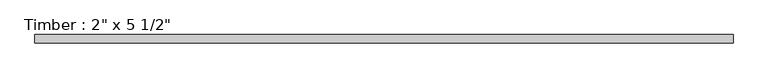
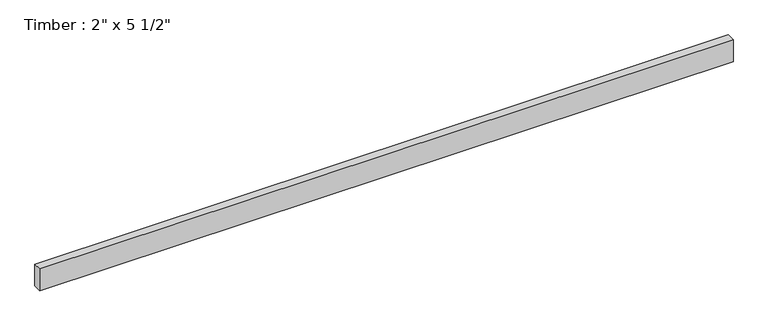
"""IFC4 building model written with IfcOpenShell, lengths in millimetres: beam geometry."""

from ifc_helpers import new_model, si_unit, frame, origin, place, context, project, spatial, polyline, outline, extrude, source, transform, mapped, element, save


def beam_b1999663(model_context):
    return source(origin(), model_context, "Body", "SweptSolid", [
        extrude(outline(polyline([(2093.6418458, 25.4), (2093.6418458, -25.4), (-2094.9302658, -25.4), (-2094.9302658, 25.4), (2093.6418458, 25.4)])), frame((0.0, 0.0, -69.85), z_axis=(0.0, 0.0, 1.0), x_axis=(1.0, 0.0, 0.0)), (0.0, 0.0, 1.0), 139.7),
    ])


if __name__ == "__main__":
    model = new_model("IFC4")
    model_context = context("Model", 3, world=origin())
    ifc_project = project(units=[si_unit("LENGTHUNIT", "METRE", prefix="MILLI")], contexts=[model_context])
    site = spatial("IfcSite", under=ifc_project)
    building = spatial("IfcBuilding", under=site)
    placement = place(None, origin())
    beam_shape = beam_b1999663(model_context)
    element("IfcBeam", 1, ObjectType="Timber : 2\" x 5 1/2\"", at=placement, inside=building, context=model_context, shape_type="MappedRepresentation", body=[
        mapped(beam_shape, transform((0.0, 0.0, 0.0), x_axis=(1.0, 0.0, 0.0), y_axis=(0.0, 1.0, 0.0), z_axis=(0.0, 0.0, 1.0))),
    ])
    save(model, "model.ifc")
